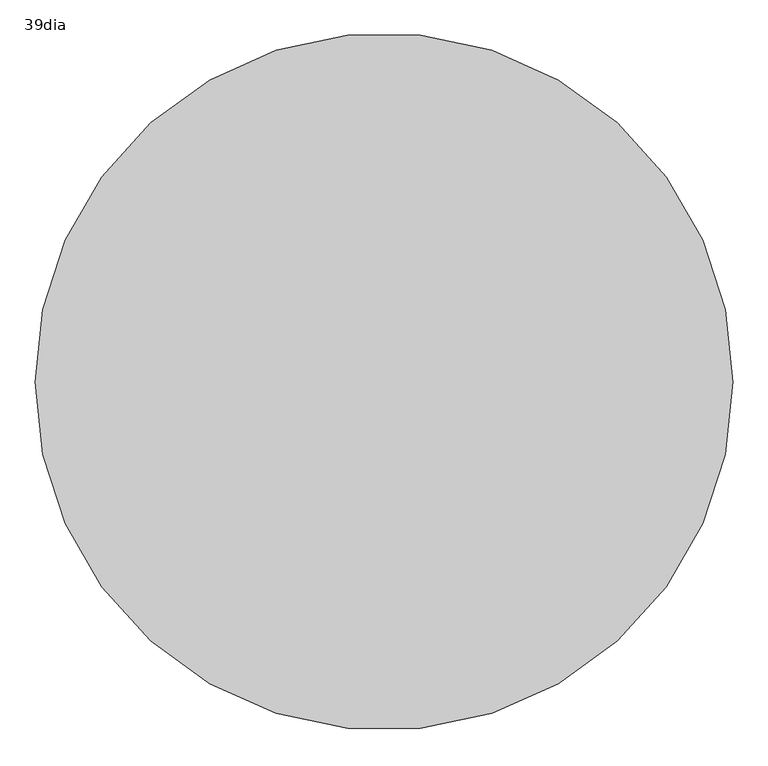
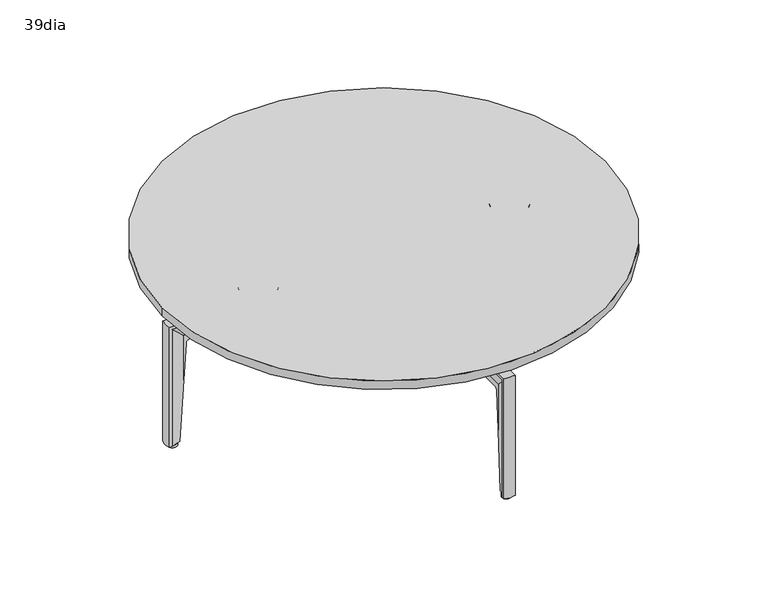
"""IFC4 building model written with IfcOpenShell, lengths in millimetres: furniture geometry, 39dia."""

from ifc_helpers import new_model, si_unit, point, frame, frame_2d, origin, origin_with_axes, place, context, project, spatial, polyline, circle_curve, ellipse_curve, trimmed, segment, composite_curve, outline, extrude, source, transform, mapped, element, save
from ifc_brep_helpers import plane_surface, cylinder_surface, revolved_surface, advanced_brep


def furniture_39dia_622707f2(model_context):
    return source(origin(), model_context, "Body", "SolidModel", [
        extrude(outline(composite_curve([segment(trimmed(circle_curve(frame_2d((296.7612327, 0.1444803)), 11.7187318), [point((296.7613262, 11.8632122))], [point((296.7611408, -11.5742515))], False, "CARTESIAN"), True, "CONTINUOUS"), segment(polyline([(296.7611408, -11.5742515), (264.1889528, -11.5739961)]), True, "CONTINUOUS"), segment(trimmed(circle_curve(frame_2d((264.1890447, 0.144738)), 11.7187341), [point((264.1889528, -11.5739961))], [point((264.1891382, 11.8634721))], False, "CARTESIAN"), True, "CONTINUOUS"), segment(polyline([(264.1891382, 11.8634721), (296.7613262, 11.8632122)]), True, "CONTINUOUS")], self_intersect=False)), frame((0.0, 0.0, 287.3162919), z_axis=(0.0, 0.0, 1.0), x_axis=(1.0, 0.0, 0.0)), (0.0, 0.0, 1.0), 14.2341844),
        extrude(outline(composite_curve([segment(polyline([(-299.1425762, 11.0694622), (-266.5703882, 11.0697221)]), True, "CONTINUOUS"), segment(trimmed(circle_curve(frame_2d((-266.5702947, -0.649012)), 11.7187341), [point((-266.5703882, 11.0697221))], [point((-266.5702028, -12.3677461))], False, "CARTESIAN"), True, "CONTINUOUS"), segment(polyline([(-266.5702028, -12.3677461), (-299.1423908, -12.3680015)]), True, "CONTINUOUS"), segment(trimmed(circle_curve(frame_2d((-299.1424827, -0.6492697)), 11.7187318), [point((-299.1423908, -12.3680015))], [point((-299.1425762, 11.0694622))], False, "CARTESIAN"), True, "CONTINUOUS")], self_intersect=False)), frame((0.0, 0.0, 287.3162919), z_axis=(0.0, 0.0, 1.0), x_axis=(1.0, 0.0, 0.0)), (0.0, 0.0, 1.0), 14.2341844),
        extrude(outline(composite_curve([segment(trimmed(circle_curve(frame_2d((0.6492697, 298.7456077)), 11.7187318), [point((-11.0694622, 298.7457012))], [point((12.3680015, 298.7455158))], False, "CARTESIAN"), True, "CONTINUOUS"), segment(polyline([(12.3680015, 298.7455158), (12.3677461, 266.1733278)]), True, "CONTINUOUS"), segment(trimmed(circle_curve(frame_2d((0.649012, 266.1734197)), 11.7187341), [point((12.3677461, 266.1733278))], [point((-11.0697221, 266.1735132))], False, "CARTESIAN"), True, "CONTINUOUS"), segment(polyline([(-11.0697221, 266.1735132), (-11.0694622, 298.7457012)]), True, "CONTINUOUS")], self_intersect=False)), frame((0.0, 0.0, 287.3162919), z_axis=(0.0, 0.0, 1.0), x_axis=(1.0, 0.0, 0.0)), (0.0, 0.0, 1.0), 14.2341844),
        extrude(outline(composite_curve([segment(polyline([(-11.0694622, -297.9519512), (-11.0697221, -265.3797632)]), True, "CONTINUOUS"), segment(trimmed(circle_curve(frame_2d((0.649012, -265.3796697)), 11.7187341), [point((-11.0697221, -265.3797632))], [point((12.3677461, -265.3795778))], False, "CARTESIAN"), True, "CONTINUOUS"), segment(polyline([(12.3677461, -265.3795778), (12.3680015, -297.9517658)]), True, "CONTINUOUS"), segment(trimmed(circle_curve(frame_2d((0.6492697, -297.9518577)), 11.7187318), [point((12.3680015, -297.9517658))], [point((-11.0694622, -297.9519512))], False, "CARTESIAN"), True, "CONTINUOUS")], self_intersect=False)), frame((0.0, 0.0, 287.3162919), z_axis=(0.0, 0.0, 1.0), x_axis=(1.0, 0.0, 0.0)), (0.0, 0.0, 1.0), 14.2341844),
        extrude(outline(composite_curve([segment(trimmed(circle_curve(frame_2d((0.0320565, 1.375425)), 495.3), [point((-495.2679435, 1.375425))], [point((495.3320565, 1.375425))], False, "CARTESIAN"), True, "CONTINUOUS"), segment(trimmed(circle_curve(frame_2d((0.0320565, 1.375425)), 495.3), [point((495.3320565, 1.375425))], [point((-495.2679435, 1.375425))], False, "CARTESIAN"), True, "CONTINUOUS")], self_intersect=False)), frame((0.0, 0.0, 311.1393175), z_axis=(0.0, 0.0, 1.0), x_axis=(1.0, 0.0, 0.0)), (0.0, 0.0, 1.0), 19.970002),
        advanced_brep(
        [(12.2335939, -54.8956171, 289.6785635), (12.2335939, -54.8956171, 283.3285635), (4.8780342, -54.8956171, 253.1125717), (4.8780342, -54.8956171, 240.9225725), (-4.9489014, -54.8956171, 240.9225725), (-4.9489014, -54.8956171, 253.4109455), (-13.1664061, -54.8956171, 284.0790905), (-13.1664061, -54.8956171, 289.6785635), (-13.1664061, -487.1580656, 289.6785635), (12.2335939, -487.1580656, 289.6785635), (-13.1664061, -481.5585926, 284.0790905), (-13.1664061, -481.5585926, 6.3562496), (-13.1664061, -487.1580656, 6.3562496), (-4.9489014, -450.8904476, 253.4109455), (-4.9489014, -429.8965112, 240.9225725), (-4.9489014, -429.8965112, 241.3236963), (-4.9489014, -436.5044736, 241.3236963), (-4.9489014, -445.3175192, 233.0469295), (-4.9489014, -450.8904476, 144.3369902), (4.8780342, -429.8965112, 240.9225725), (4.8780342, -450.5920739, 253.1125717), (4.8780342, -450.5920739, 149.086507), (4.8780342, -445.3175192, 233.0469295), (4.8780342, -436.5044736, 241.3236963), (4.8780342, -429.8965112, 241.3236963), (12.2335939, -480.8080656, 283.3285635), (12.2335939, -487.1580656, 6.3562496), (12.2335939, -480.8080656, 6.3562496), (-5.369228, -459.5586622, 6.3562496), (5.7017324, -459.5586622, 6.3562496)],
        [
            (0, 1),
            (1, 2, circle_curve(frame((80.6330553, -54.8956171, 250.6746121), z_axis=(0.0, -1.0, 0.0), x_axis=(1.0, 0.0, 0.0)), 75.7942403)),
            (2, 3),
            (3, 4),
            (4, 5),
            (5, 6, circle_curve(frame((-60.0422505, -54.8956171, 255.0837365), z_axis=(0.0, -1.0, 0.0), x_axis=(1.0, 0.0, 0.0)), 55.1187386)),
            (6, 7),
            (7, 0, circle_curve(frame((-0.4664061, -54.8956171, 254.503341), z_axis=(0.0, 1.0, 0.0), x_axis=(1.0, 0.0, 0.0)), 37.3976775)),
            (7, 8),
            (8, 9, ellipse_curve(frame((-0.4664061, -451.9828431, 254.503341), z_axis=(0.0, 0.7071067811865457, 0.7071067811865493), x_axis=(0.0, 0.7071067811865492, -0.7071067811865458)), 52.8883027, 37.3976775)),
            (9, 0),
            (6, 10),
            (10, 11),
            (11, 12),
            (12, 8),
            (5, 13),
            (13, 10, ellipse_curve(frame((-60.0422505, -452.5632386, 255.0837365), z_axis=(0.0, -0.7071067811865457, -0.7071067811865493), x_axis=(0.0, -0.7071067811865492, 0.7071067811865458)), 77.9496676, 55.1187386)),
            (4, 14),
            (14, 15),
            (15, 16),
            (16, 17, circle_curve(frame((-4.9489014, -436.5044736, 232.493277), z_axis=(1.0, 0.0, 0.0), x_axis=(0.0, 1.0, 0.0)), 8.8304193)),
            (17, 18),
            (18, 13),
            (3, 19),
            (19, 14),
            (2, 20),
            (20, 21),
            (21, 22),
            (22, 23, circle_curve(frame((4.8780342, -436.5044736, 232.493277), z_axis=(-1.0, 0.0, 0.0), x_axis=(0.0, 1.0, 0.0)), 8.8304193)),
            (23, 24),
            (24, 19),
            (1, 25),
            (25, 20, ellipse_curve(frame((80.6330553, -448.1541142, 250.6746121), z_axis=(0.0, -0.7071067811865457, -0.7071067811865493), x_axis=(0.0, -0.7071067811865492, 0.7071067811865458)), 107.1892425, 75.7942403)),
            (9, 26),
            (26, 27),
            (27, 25),
            (11, 28, circle_curve(frame((-60.0422505, -452.5632386, 6.3562496), z_axis=(0.0, 0.0, 1.0), x_axis=(1.0, 0.0, 0.0)), 55.1187386)),
            (28, 29),
            (29, 27, circle_curve(frame((80.6330553, -448.1541142, 6.3562496), z_axis=(0.0, 0.0, 1.0), x_axis=(1.0, 0.0, 0.0)), 75.7942403)),
            (26, 12, circle_curve(frame((-0.4664061, -451.9828431, 6.3562496), z_axis=(0.0, 0.0, -1.0), x_axis=(1.0, 0.0, 0.0)), 37.3976775)),
            (18, 28, ellipse_curve(frame((-60.0422505, -452.5632386, 117.7094839), z_axis=(0.0, 0.9980325251168162, -0.06269831583824148), x_axis=(0.0, -0.0626983158382415, -0.9980325251168162)), 879.1103529, 55.1187386)),
            (29, 21, ellipse_curve(frame((80.6330553, -448.1541142, 187.8939772), z_axis=(0.0, 0.9980325251168162, -0.06269831583824148), x_axis=(0.0, -0.0626983158382415, -0.9980325251168162)), 1208.8720287, 75.7942403)),
            (24, 15),
            (23, 16),
            (17, 22),
        ],
        [
            plane_surface(frame((0.0, -54.8956171, 241.3236963), z_axis=(0.0, 1.0, 0.0), x_axis=(1.0, 0.0, 0.0))),
            cylinder_surface(frame((-0.4664061, -54.8956171, 254.503341), z_axis=(0.0, 1.0, 0.0), x_axis=(1.0, 0.0, 0.0)), 37.3976775),
            plane_surface(frame((-13.1664061, -54.8956171, 284.0790905), z_axis=(-1.0, 0.0, 0.0), x_axis=(0.0, -1.0, 0.0))),
            revolved_surface(polyline([(-4.923511900000001, -507.68197715119743, 255.0837365), (-4.923511900000001, -54.8956171, 255.0837365)]), (-60.0422505, -54.8956171, 255.0837365), (0.0, -1.0, 0.0)),
            plane_surface(frame((-4.9489014, -54.8956171, 240.9225725), z_axis=(-1.0, 0.0, 0.0), x_axis=(0.0, -1.0, 0.0))),
            plane_surface(frame((4.8780342, -54.8956171, 240.9225725), z_axis=(0.0, 0.0, -1.0), x_axis=(0.0, -1.0, 0.0))),
            plane_surface(frame((4.8780342, -54.8956171, 253.1125717), z_axis=(1.0, 0.0, 0.0), x_axis=(0.0, -1.0, 0.0))),
            revolved_surface(polyline([(156.42729559999998, -523.9483544419995, 250.6746121), (156.42729559999998, -54.8956171, 250.6746121)]), (80.6330553, -54.8956171, 250.6746121), (0.0, -1.0, 0.0)),
            plane_surface(frame((12.2335939, -54.8956171, 289.6785635), z_axis=(1.0, 0.0, 0.0), x_axis=(0.0, -1.0, 0.0))),
            plane_surface(frame((0.0, -438.8031984, 6.3562496), z_axis=(0.0, 0.0, -1.0), x_axis=(1.0, 0.0, 0.0))),
            cylinder_surface(frame((-0.4664061, -451.9828431, 241.3236963), z_axis=(0.0, 0.0, 1.0), x_axis=(1.0, 0.0, 0.0)), 37.3976775),
            revolved_surface(polyline([(-4.923511900000001, -452.5632386, -759.6712414611225), (-4.923511900000001, -452.5632386, 995.0902092611223)]), (-60.0422505, -452.5632386, 241.3236963), (0.0, 0.0, -1.0)),
            revolved_surface(polyline([(156.42729559999998, -448.1541142, -1018.5996261465496), (156.42729559999998, -448.1541142, 1394.3875805465493)]), (80.6330553, -448.1541142, 241.3236963), (0.0, 0.0, -1.0)),
            plane_surface(frame((-304.8, -429.8965112, 241.3236963), z_axis=(0.0, -1.0, 0.0), x_axis=(1.0, 0.0, 0.0))),
            plane_surface(frame((-304.8, -436.5044736, 241.3236963), z_axis=(0.0, 0.0, -1.0), x_axis=(1.0, 0.0, 0.0))),
            plane_surface(frame((-304.8, -461.513605, -24.7625535), z_axis=(0.0, 0.9980325251168162, -0.06269831583824148), x_axis=(1.0, 0.0, 0.0))),
            revolved_surface(polyline([(-4.948901400000011, -427.67405429999997, 232.493277), (4.878034200000002, -427.67405429999997, 232.493277)]), (217.9956685, -436.5044736, 232.493277), (-1.0, 0.0, 0.0)),
        ],
        [
            (0, [[1, 2, 3, 4, 5, 6, 7, 8]]),
            (1, [[-8, 9, 10, 11]]),
            (2, [[-7, 12, 13, 14, 15, -9]]),
            (3, [[-6, 16, 17, -12]]),
            (4, [[-5, 18, 19, 20, 21, 22, 23, -16]]),
            (5, [[-4, 24, 25, -18]]),
            (6, [[-3, 26, 27, 28, 29, 30, 31, -24]]),
            (7, [[-2, 32, 33, -26]]),
            (8, [[-1, -11, 34, 35, 36, -32]]),
            (9, [[-14, 37, 38, 39, -35, 40]]),
            (10, [[-10, -15, -40, -34]]),
            (11, [[-13, -17, -23, 41, -37]]),
            (12, [[-33, -36, -39, 42, -27]]),
            (13, [[43, -19, -25, -31]]),
            (14, [[-43, -30, 44, -20]]),
            (15, [[45, -28, -42, -38, -41, -22]]),
            (16, [[-44, -29, -45, -21]]),
        ],
    ),
        advanced_brep(
        [(12.2335939, 54.8956171, 289.6785635), (-13.1664061, 54.8956171, 289.6785635), (-13.1664061, 54.8956171, 284.0790905), (-4.9489014, 54.8956171, 253.4109455), (-4.9489014, 54.8956171, 240.9225725), (4.8780342, 54.8956171, 240.9225725), (4.8780342, 54.8956171, 253.1125717), (12.2335939, 54.8956171, 283.3285635), (12.2335939, 487.1580656, 289.6785635), (-13.1664061, 487.1580656, 289.6785635), (-13.1664061, 487.1580656, 6.3562496), (-13.1664061, 481.5585926, 6.3562496), (-13.1664061, 481.5585926, 284.0790905), (-4.9489014, 450.8904476, 253.4109455), (-4.9489014, 450.8904476, 144.3369902), (-4.9489014, 445.3175192, 233.0469295), (-4.9489014, 436.5044736, 241.3236963), (-4.9489014, 429.8965112, 241.3236963), (-4.9489014, 429.8965112, 240.9225725), (4.8780342, 429.8965112, 240.9225725), (4.8780342, 429.8965112, 241.3236963), (4.8780342, 436.5044736, 241.3236963), (4.8780342, 445.3175192, 233.0469295), (4.8780342, 450.5920739, 149.086507), (4.8780342, 450.5920739, 253.1125717), (12.2335939, 480.8080656, 283.3285635), (12.2335939, 480.8080656, 6.3562496), (12.2335939, 487.1580656, 6.3562496), (5.7017324, 459.5586622, 6.3562496), (-5.369228, 459.5586622, 6.3562496)],
        [
            (0, 1, circle_curve(frame((-0.4664061, 54.8956171, 254.503341), z_axis=(0.0, -1.0, 0.0), x_axis=(1.0, 0.0, 0.0)), 37.3976775)),
            (1, 2),
            (2, 3, circle_curve(frame((-60.0422505, 54.8956171, 255.0837365), z_axis=(0.0, 1.0, 0.0), x_axis=(1.0, 0.0, 0.0)), 55.1187386)),
            (3, 4),
            (4, 5),
            (5, 6),
            (6, 7, circle_curve(frame((80.6330553, 54.8956171, 250.6746121), z_axis=(0.0, 1.0, 0.0), x_axis=(1.0, 0.0, 0.0)), 75.7942403)),
            (7, 0),
            (0, 8),
            (8, 9, ellipse_curve(frame((-0.4664061, 451.9828431, 254.503341), z_axis=(0.0, -0.7071067811865457, 0.7071067811865493), x_axis=(0.0, -0.7071067811865492, -0.7071067811865458)), 52.8883027, 37.3976775)),
            (9, 1),
            (9, 10),
            (10, 11),
            (11, 12),
            (12, 2),
            (12, 13, ellipse_curve(frame((-60.0422505, 452.5632386, 255.0837365), z_axis=(0.0, 0.7071067811865457, -0.7071067811865493), x_axis=(0.0, 0.7071067811865492, 0.7071067811865458)), 77.9496676, 55.1187386)),
            (13, 3),
            (13, 14),
            (14, 15),
            (15, 16, circle_curve(frame((-4.9489014, 436.5044736, 232.493277), z_axis=(1.0, 0.0, 0.0), x_axis=(0.0, -1.0, 0.0)), 8.8304193)),
            (16, 17),
            (17, 18),
            (18, 4),
            (18, 19),
            (19, 5),
            (19, 20),
            (20, 21),
            (21, 22, circle_curve(frame((4.8780342, 436.5044736, 232.493277), z_axis=(-1.0, 0.0, 0.0), x_axis=(0.0, -1.0, 0.0)), 8.8304193)),
            (22, 23),
            (23, 24),
            (24, 6),
            (24, 25, ellipse_curve(frame((80.6330553, 448.1541142, 250.6746121), z_axis=(0.0, 0.7071067811865457, -0.7071067811865493), x_axis=(0.0, 0.7071067811865492, 0.7071067811865458)), 107.1892425, 75.7942403)),
            (25, 7),
            (25, 26),
            (26, 27),
            (27, 8),
            (10, 27, circle_curve(frame((-0.4664061, 451.9828431, 6.3562496), z_axis=(0.0, 0.0, -1.0), x_axis=(1.0, 0.0, 0.0)), 37.3976775)),
            (26, 28, circle_curve(frame((80.6330553, 448.1541142, 6.3562496), z_axis=(0.0, 0.0, 1.0), x_axis=(1.0, 0.0, 0.0)), 75.7942403)),
            (28, 29),
            (29, 11, circle_curve(frame((-60.0422505, 452.5632386, 6.3562496), z_axis=(0.0, 0.0, 1.0), x_axis=(1.0, 0.0, 0.0)), 55.1187386)),
            (29, 14, ellipse_curve(frame((-60.0422505, 452.5632386, 117.7094839), z_axis=(0.0, -0.9980325251168162, -0.06269831583824148), x_axis=(0.0, 0.0626983158382415, -0.9980325251168162)), 879.1103529, 55.1187386)),
            (23, 28, ellipse_curve(frame((80.6330553, 448.1541142, 187.8939772), z_axis=(0.0, -0.9980325251168162, -0.06269831583824148), x_axis=(0.0, 0.0626983158382415, -0.9980325251168162)), 1208.8720287, 75.7942403)),
            (17, 20),
            (16, 21),
            (22, 15),
        ],
        [
            plane_surface(frame((0.0, 54.8956171, 241.3236963), z_axis=(0.0, -1.0, 0.0), x_axis=(1.0, 0.0, 0.0))),
            cylinder_surface(frame((-0.4664061, 54.8956171, 254.503341), z_axis=(0.0, -1.0, 0.0), x_axis=(1.0, 0.0, 0.0)), 37.3976775),
            plane_surface(frame((-13.1664061, 54.8956171, 289.6785635), z_axis=(-1.0, 0.0, 0.0), x_axis=(0.0, 1.0, 0.0))),
            revolved_surface(polyline([(-4.923511900000001, 507.68197715119743, 255.0837365), (-4.923511900000001, 54.8956171, 255.0837365)]), (-60.0422505, 54.8956171, 255.0837365), (0.0, 1.0, 0.0)),
            plane_surface(frame((-4.9489014, 54.8956171, 253.4109455), z_axis=(-1.0, 0.0, 0.0), x_axis=(0.0, 1.0, 0.0))),
            plane_surface(frame((-4.9489014, 54.8956171, 240.9225725), z_axis=(0.0, 0.0, -1.0), x_axis=(0.0, 1.0, 0.0))),
            plane_surface(frame((4.8780342, 54.8956171, 240.9225725), z_axis=(1.0, 0.0, 0.0), x_axis=(0.0, 1.0, 0.0))),
            revolved_surface(polyline([(156.42729559999998, 523.9483544419995, 250.6746121), (156.42729559999998, 54.8956171, 250.6746121)]), (80.6330553, 54.8956171, 250.6746121), (0.0, 1.0, 0.0)),
            plane_surface(frame((12.2335939, 54.8956171, 283.3285635), z_axis=(1.0, 0.0, 0.0), x_axis=(0.0, 1.0, 0.0))),
            plane_surface(frame((0.0, 438.8031984, 6.3562496), z_axis=(0.0, 0.0, -1.0), x_axis=(1.0, 0.0, 0.0))),
            cylinder_surface(frame((-0.4664061, 451.9828431, 241.3236963), z_axis=(0.0, 0.0, 1.0), x_axis=(1.0, 0.0, 0.0)), 37.3976775),
            revolved_surface(polyline([(-4.923511900000001, 452.5632386, -759.6712414611225), (-4.923511900000001, 452.5632386, 995.0902092611223)]), (-60.0422505, 452.5632386, 241.3236963), (0.0, 0.0, -1.0)),
            revolved_surface(polyline([(156.42729559999998, 448.1541142, -1018.5996261465496), (156.42729559999998, 448.1541142, 1394.3875805465493)]), (80.6330553, 448.1541142, 241.3236963), (0.0, 0.0, -1.0)),
            plane_surface(frame((-304.8, 429.8965112, -24.7625535), z_axis=(0.0, 1.0, 0.0), x_axis=(1.0, 0.0, 0.0))),
            plane_surface(frame((-304.8, 429.8965112, 241.3236963), z_axis=(0.0, 0.0, -1.0), x_axis=(1.0, 0.0, 0.0))),
            plane_surface(frame((-304.8, 445.3175192, 233.0469295), z_axis=(0.0, -0.9980325251168162, -0.06269831583824148), x_axis=(1.0, 0.0, 0.0))),
            revolved_surface(polyline([(-4.948901400000011, 427.67405429999997, 232.493277), (4.878034200000002, 427.67405429999997, 232.493277)]), (217.9956685, 436.5044736, 232.493277), (-1.0, 0.0, 0.0)),
        ],
        [
            (0, [[1, 2, 3, 4, 5, 6, 7, 8]]),
            (1, [[-1, 9, 10, 11]]),
            (2, [[-2, -11, 12, 13, 14, 15]]),
            (3, [[-3, -15, 16, 17]]),
            (4, [[-4, -17, 18, 19, 20, 21, 22, 23]]),
            (5, [[-5, -23, 24, 25]]),
            (6, [[-6, -25, 26, 27, 28, 29, 30, 31]]),
            (7, [[-7, -31, 32, 33]]),
            (8, [[-8, -33, 34, 35, 36, -9]]),
            (9, [[-13, 37, -35, 38, 39, 40]]),
            (10, [[-10, -36, -37, -12]]),
            (11, [[-14, -40, 41, -18, -16]]),
            (12, [[-32, -30, 42, -38, -34]]),
            (13, [[43, -26, -24, -22]]),
            (14, [[-43, -21, 44, -27]]),
            (15, [[45, -19, -41, -39, -42, -29]]),
            (16, [[-45, -28, -44, -20]]),
        ],
    ),
        advanced_brep(
        [(54.8956171, -12.2335939, 289.6785635), (54.8956171, 13.1664061, 289.6785635), (54.8956171, 13.1664061, 284.0790905), (54.8956171, 4.9489014, 253.4109455), (54.8956171, 4.9489014, 240.9225725), (54.8956171, -4.8780342, 240.9225725), (54.8956171, -4.8780342, 253.1125717), (54.8956171, -12.2335939, 283.3285635), (487.1580656, -12.2335939, 289.6785635), (487.1580656, 13.1664061, 289.6785635), (487.1580656, 13.1664061, 6.3562496), (481.5585926, 13.1664061, 6.3562496), (481.5585926, 13.1664061, 284.0790905), (450.8904476, 4.9489014, 253.4109455), (450.8904476, 4.9489014, 144.3369902), (445.3175192, 4.9489014, 233.0469295), (436.5044736, 4.9489014, 241.3236963), (429.8965112, 4.9489014, 241.3236963), (429.8965112, 4.9489014, 240.9225725), (429.8965112, -4.8780342, 240.9225725), (429.8965112, -4.8780342, 241.3236963), (436.5044736, -4.8780342, 241.3236963), (445.3175192, -4.8780342, 233.0469295), (450.5920739, -4.8780342, 149.086507), (450.5920739, -4.8780342, 253.1125717), (480.8080656, -12.2335939, 283.3285635), (480.8080656, -12.2335939, 6.3562496), (487.1580656, -12.2335939, 6.3562496), (459.5586622, -5.7017324, 6.3562496), (459.5586622, 5.369228, 6.3562496)],
        [
            (0, 1, circle_curve(frame((54.8956171, 0.4664061, 254.503341), z_axis=(-1.0, 0.0, 0.0), x_axis=(0.0, -1.0, 0.0)), 37.3976775)),
            (1, 2),
            (2, 3, circle_curve(frame((54.8956171, 60.0422505, 255.0837365), z_axis=(1.0, 0.0, 0.0), x_axis=(0.0, -1.0, 0.0)), 55.1187386)),
            (3, 4),
            (4, 5),
            (5, 6),
            (6, 7, circle_curve(frame((54.8956171, -80.6330553, 250.6746121), z_axis=(1.0, 0.0, 0.0), x_axis=(0.0, -1.0, 0.0)), 75.7942403)),
            (7, 0),
            (0, 8),
            (8, 9, ellipse_curve(frame((451.9828431, 0.4664061, 254.503341), z_axis=(-0.7071067811865261, 0.0, 0.7071067811865688), x_axis=(-0.7071067811865689, 0.0, -0.7071067811865261)), 52.8883027, 37.3976775)),
            (9, 1),
            (9, 10),
            (10, 11),
            (11, 12),
            (12, 2),
            (12, 13, ellipse_curve(frame((452.5632386, 60.0422505, 255.0837365), z_axis=(0.7071067811865261, 0.0, -0.7071067811865688), x_axis=(0.7071067811865689, 0.0, 0.7071067811865261)), 77.9496676, 55.1187386)),
            (13, 3),
            (13, 14),
            (14, 15),
            (15, 16, circle_curve(frame((436.5044736, 4.9489014, 232.493277), z_axis=(0.0, -1.0, 0.0), x_axis=(-1.0, 0.0, 0.0)), 8.8304193)),
            (16, 17),
            (17, 18),
            (18, 4),
            (18, 19),
            (19, 5),
            (19, 20),
            (20, 21),
            (21, 22, circle_curve(frame((436.5044736, -4.8780342, 232.493277), z_axis=(0.0, 1.0, 0.0), x_axis=(-1.0, 0.0, 0.0)), 8.8304193)),
            (22, 23),
            (23, 24),
            (24, 6),
            (24, 25, ellipse_curve(frame((448.1541142, -80.6330553, 250.6746121), z_axis=(0.7071067811865261, 0.0, -0.7071067811865688), x_axis=(0.7071067811865689, 0.0, 0.7071067811865261)), 107.1892425, 75.7942403)),
            (25, 7),
            (25, 26),
            (26, 27),
            (27, 8),
            (10, 27, circle_curve(frame((451.9828431, 0.4664061, 6.3562496), z_axis=(0.0, 0.0, -1.0), x_axis=(0.0, -1.0, 0.0)), 37.3976775)),
            (26, 28, circle_curve(frame((448.1541142, -80.6330553, 6.3562496), z_axis=(0.0, 0.0, 1.0), x_axis=(0.0, -1.0, 0.0)), 75.7942403)),
            (28, 29),
            (29, 11, circle_curve(frame((452.5632386, 60.0422505, 6.3562496), z_axis=(0.0, 0.0, 1.0), x_axis=(0.0, -1.0, 0.0)), 55.1187386)),
            (29, 14, ellipse_curve(frame((452.5632386, 60.0422505, 117.7094839), z_axis=(-0.9980325251168178, 0.0, -0.06269831583821395), x_axis=(0.06269831583821395, 0.0, -0.9980325251168177)), 879.1103529, 55.1187386)),
            (23, 28, ellipse_curve(frame((448.1541142, -80.6330553, 187.8939772), z_axis=(-0.9980325251168178, 0.0, -0.06269831583821395), x_axis=(0.06269831583821395, 0.0, -0.9980325251168177)), 1208.8720287, 75.7942403)),
            (17, 20),
            (16, 21),
            (22, 15),
        ],
        [
            plane_surface(frame((54.8956171, 0.0, 241.3236963), z_axis=(-1.0, 0.0, 0.0), x_axis=(0.0, -1.0, 0.0))),
            cylinder_surface(frame((54.8956171, 0.4664061, 254.503341), z_axis=(-1.0, 0.0, 0.0), x_axis=(0.0, -1.0, 0.0)), 37.3976775),
            plane_surface(frame((54.8956171, 13.1664061, 289.6785635), z_axis=(0.0, 1.0, 0.0), x_axis=(1.0, 0.0, 0.0))),
            revolved_surface(polyline([(507.68197715119896, 4.923511900000001, 255.0837365), (54.8956171, 4.923511900000001, 255.0837365)]), (54.8956171, 60.0422505, 255.0837365), (1.0, 0.0, 0.0)),
            plane_surface(frame((54.8956171, 4.9489014, 253.4109455), z_axis=(0.0, 1.0, 0.0), x_axis=(1.0, 0.0, 0.0))),
            plane_surface(frame((54.8956171, 4.9489014, 240.9225725), z_axis=(0.0, 0.0, -1.0), x_axis=(1.0, 0.0, 0.0))),
            plane_surface(frame((54.8956171, -4.8780342, 240.9225725), z_axis=(0.0, -1.0, 0.0), x_axis=(1.0, 0.0, 0.0))),
            revolved_surface(polyline([(523.9483544420016, -156.42729559999998, 250.6746121), (54.8956171, -156.42729559999998, 250.6746121)]), (54.8956171, -80.6330553, 250.6746121), (1.0, 0.0, 0.0)),
            plane_surface(frame((54.8956171, -12.2335939, 283.3285635), z_axis=(0.0, -1.0, 0.0), x_axis=(1.0, 0.0, 0.0))),
            plane_surface(frame((438.8031984, 0.0, 6.3562496), z_axis=(0.0, 0.0, -1.0), x_axis=(0.0, -1.0, 0.0))),
            cylinder_surface(frame((451.9828431, 0.4664061, 241.3236963), z_axis=(0.0, 0.0, 1.0), x_axis=(0.0, -1.0, 0.0)), 37.3976775),
            revolved_surface(polyline([(452.5632386, 4.923511900000001, -759.6712414611238), (452.5632386, 4.923511900000001, 995.0902092611236)]), (452.5632386, 60.0422505, 241.3236963), (0.0, 0.0, -1.0)),
            revolved_surface(polyline([(448.1541142, -156.42729559999998, -1018.5996261465514), (448.1541142, -156.42729559999998, 1394.3875805465511)]), (448.1541142, -80.6330553, 241.3236963), (0.0, 0.0, -1.0)),
            plane_surface(frame((429.8965112, 304.8, -24.7625535), z_axis=(1.0, 0.0, 0.0), x_axis=(0.0, -1.0, 0.0))),
            plane_surface(frame((429.8965112, 304.8, 241.3236963), z_axis=(0.0, 0.0, -1.0), x_axis=(0.0, -1.0, 0.0))),
            plane_surface(frame((445.3175192, 304.8, 233.0469295), z_axis=(-0.9980325251168178, 0.0, -0.06269831583821395), x_axis=(0.0, -1.0, 0.0))),
            revolved_surface(polyline([(427.67405429999997, 4.948901400000011, 232.493277), (427.67405429999997, -4.878034200000002, 232.493277)]), (436.5044736, -217.9956685, 232.493277), (0.0, 1.0, 0.0)),
        ],
        [
            (0, [[1, 2, 3, 4, 5, 6, 7, 8]]),
            (1, [[-1, 9, 10, 11]]),
            (2, [[-2, -11, 12, 13, 14, 15]]),
            (3, [[-3, -15, 16, 17]]),
            (4, [[-4, -17, 18, 19, 20, 21, 22, 23]]),
            (5, [[-5, -23, 24, 25]]),
            (6, [[-6, -25, 26, 27, 28, 29, 30, 31]]),
            (7, [[-7, -31, 32, 33]]),
            (8, [[-8, -33, 34, 35, 36, -9]]),
            (9, [[-13, 37, -35, 38, 39, 40]]),
            (10, [[-10, -36, -37, -12]]),
            (11, [[-14, -40, 41, -18, -16]]),
            (12, [[-32, -30, 42, -38, -34]]),
            (13, [[43, -26, -24, -22]]),
            (14, [[-43, -21, 44, -27]]),
            (15, [[45, -19, -41, -39, -42, -29]]),
            (16, [[-45, -28, -44, -20]]),
        ],
    ),
        advanced_brep(
        [(-54.8956171, -12.2335939, 289.6785635), (-54.8956171, -12.2335939, 283.3285635), (-54.8956171, -4.8780342, 253.1125717), (-54.8956171, -4.8780342, 240.9225725), (-54.8956171, 4.9489014, 240.9225725), (-54.8956171, 4.9489014, 253.4109455), (-54.8956171, 13.1664061, 284.0790905), (-54.8956171, 13.1664061, 289.6785635), (-487.1580656, 13.1664061, 289.6785635), (-487.1580656, -12.2335939, 289.6785635), (-481.5585926, 13.1664061, 284.0790905), (-481.5585926, 13.1664061, 6.3562496), (-487.1580656, 13.1664061, 6.3562496), (-450.8904476, 4.9489014, 253.4109455), (-252.8902612, 4.9489014, 240.9225725), (-252.8902612, 4.9489014, 241.3236963), (-259.4982236, 4.9489014, 241.3236963), (-262.1294367, 4.9489014, 240.9225725), (-429.8965112, 4.9489014, 240.9225725), (-429.8965112, 4.9489014, 241.3236963), (-436.5044736, 4.9489014, 241.3236963), (-445.3175192, 4.9489014, 233.0469295), (-450.8904476, 4.9489014, 144.3369902), (-252.8902612, -4.8780342, 240.9225725), (-262.1294367, -4.8780342, 240.9225725), (-429.8965112, -4.8780342, 240.9225725), (-450.5920739, -4.8780342, 253.1125717), (-450.5920739, -4.8780342, 149.086507), (-445.3175192, -4.8780342, 233.0469295), (-436.5044736, -4.8780342, 241.3236963), (-429.8965112, -4.8780342, 241.3236963), (-259.4982236, -4.8780342, 241.3236963), (-252.8902612, -4.8780342, 241.3236963), (-480.8080656, -12.2335939, 283.3285635), (-487.1580656, -12.2335939, 6.3562496), (-480.8080656, -12.2335939, 6.3562496), (-459.5586622, 5.369228, 6.3562496), (-459.5586622, -5.7017324, 6.3562496)],
        [
            (0, 1),
            (1, 2, circle_curve(frame((-54.8956171, -80.6330553, 250.6746121), z_axis=(-1.0, 0.0, 0.0), x_axis=(0.0, -1.0, 0.0)), 75.7942403)),
            (2, 3),
            (3, 4),
            (4, 5),
            (5, 6, circle_curve(frame((-54.8956171, 60.0422505, 255.0837365), z_axis=(-1.0, 0.0, 0.0), x_axis=(0.0, -1.0, 0.0)), 55.1187386)),
            (6, 7),
            (7, 0, circle_curve(frame((-54.8956171, 0.4664061, 254.503341), z_axis=(1.0, 0.0, 0.0), x_axis=(0.0, -1.0, 0.0)), 37.3976775)),
            (7, 8),
            (8, 9, ellipse_curve(frame((-451.9828431, 0.4664061, 254.503341), z_axis=(0.7071067811865457, 0.0, 0.7071067811865493), x_axis=(0.7071067811865492, 0.0, -0.7071067811865458)), 52.8883027, 37.3976775)),
            (9, 0),
            (6, 10),
            (10, 11),
            (11, 12),
            (12, 8),
            (5, 13),
            (13, 10, ellipse_curve(frame((-452.5632386, 60.0422505, 255.0837365), z_axis=(-0.7071067811865457, 0.0, -0.7071067811865493), x_axis=(-0.7071067811865492, 0.0, 0.7071067811865458)), 77.9496676, 55.1187386)),
            (4, 14),
            (14, 15),
            (15, 16),
            (16, 17, circle_curve(frame((-259.4982236, 4.9489014, 232.493277), z_axis=(0.0, -1.0, 0.0), x_axis=(1.0, 0.0, 0.0)), 8.8304193)),
            (17, 18),
            (18, 19),
            (19, 20),
            (20, 21, circle_curve(frame((-436.5044736, 4.9489014, 232.493277), z_axis=(0.0, -1.0, 0.0), x_axis=(1.0, 0.0, 0.0)), 8.8304193)),
            (21, 22),
            (22, 13),
            (3, 23),
            (23, 14),
            (17, 24),
            (24, 25),
            (25, 18),
            (2, 26),
            (26, 27),
            (27, 28),
            (28, 29, circle_curve(frame((-436.5044736, -4.8780342, 232.493277), z_axis=(0.0, 1.0, 0.0), x_axis=(1.0, 0.0, 0.0)), 8.8304193)),
            (29, 30),
            (30, 25),
            (24, 31, circle_curve(frame((-259.4982236, -4.8780342, 232.493277), z_axis=(0.0, 1.0, 0.0), x_axis=(1.0, 0.0, 0.0)), 8.8304193)),
            (31, 32),
            (32, 23),
            (1, 33),
            (33, 26, ellipse_curve(frame((-448.1541142, -80.6330553, 250.6746121), z_axis=(-0.7071067811865457, 0.0, -0.7071067811865493), x_axis=(-0.7071067811865492, 0.0, 0.7071067811865458)), 107.1892425, 75.7942403)),
            (9, 34),
            (34, 35),
            (35, 33),
            (11, 36, circle_curve(frame((-452.5632386, 60.0422505, 6.3562496), z_axis=(0.0, 0.0, 1.0), x_axis=(0.0, -1.0, 0.0)), 55.1187386)),
            (36, 37),
            (37, 35, circle_curve(frame((-448.1541142, -80.6330553, 6.3562496), z_axis=(0.0, 0.0, 1.0), x_axis=(0.0, -1.0, 0.0)), 75.7942403)),
            (34, 12, circle_curve(frame((-451.9828431, 0.4664061, 6.3562496), z_axis=(0.0, 0.0, -1.0), x_axis=(0.0, -1.0, 0.0)), 37.3976775)),
            (22, 36, ellipse_curve(frame((-452.5632386, 60.0422505, 117.7094839), z_axis=(0.9980325251168162, 0.0, -0.06269831583824148), x_axis=(-0.0626983158382415, 0.0, -0.9980325251168162)), 879.1103529, 55.1187386)),
            (37, 27, ellipse_curve(frame((-448.1541142, -80.6330553, 187.8939772), z_axis=(0.9980325251168162, 0.0, -0.06269831583824148), x_axis=(-0.0626983158382415, 0.0, -0.9980325251168162)), 1208.8720287, 75.7942403)),
            (32, 15),
            (31, 16),
            (30, 19),
            (29, 20),
            (21, 28),
        ],
        [
            plane_surface(frame((-54.8956171, 0.0, 241.3236963), z_axis=(1.0, 0.0, 0.0), x_axis=(0.0, -1.0, 0.0))),
            cylinder_surface(frame((-54.8956171, 0.4664061, 254.503341), z_axis=(1.0, 0.0, 0.0), x_axis=(0.0, -1.0, 0.0)), 37.3976775),
            plane_surface(frame((-54.8956171, 13.1664061, 284.0790905), z_axis=(0.0, 1.0, 0.0), x_axis=(-1.0, 0.0, 0.0))),
            revolved_surface(polyline([(-507.68197715119743, 4.923511900000001, 255.0837365), (-54.8956171, 4.923511900000001, 255.0837365)]), (-54.8956171, 60.0422505, 255.0837365), (-1.0, 0.0, 0.0)),
            plane_surface(frame((-54.8956171, 4.9489014, 240.9225725), z_axis=(0.0, 1.0, 0.0), x_axis=(-1.0, 0.0, 0.0))),
            plane_surface(frame((-54.8956171, -4.8780342, 240.9225725), z_axis=(0.0, 0.0, -1.0), x_axis=(-1.0, 0.0, 0.0))),
            plane_surface(frame((-54.8956171, -4.8780342, 253.1125717), z_axis=(0.0, -1.0, 0.0), x_axis=(-1.0, 0.0, 0.0))),
            revolved_surface(polyline([(-523.9483544419995, -156.42729559999998, 250.6746121), (-54.8956171, -156.42729559999998, 250.6746121)]), (-54.8956171, -80.6330553, 250.6746121), (-1.0, 0.0, 0.0)),
            plane_surface(frame((-54.8956171, -12.2335939, 289.6785635), z_axis=(0.0, -1.0, 0.0), x_axis=(-1.0, 0.0, 0.0))),
            plane_surface(frame((-438.8031984, 0.0, 6.3562496), z_axis=(0.0, 0.0, -1.0), x_axis=(0.0, -1.0, 0.0))),
            cylinder_surface(frame((-451.9828431, 0.4664061, 241.3236963), z_axis=(0.0, 0.0, 1.0), x_axis=(0.0, -1.0, 0.0)), 37.3976775),
            revolved_surface(polyline([(-452.5632386, 4.923511900000001, -759.6712414611225), (-452.5632386, 4.923511900000001, 995.0902092611223)]), (-452.5632386, 60.0422505, 241.3236963), (0.0, 0.0, -1.0)),
            revolved_surface(polyline([(-448.1541142, -156.42729559999998, -1018.5996261465496), (-448.1541142, -156.42729559999998, 1394.3875805465493)]), (-448.1541142, -80.6330553, 241.3236963), (0.0, 0.0, -1.0)),
            plane_surface(frame((-252.8902612, 304.8, 241.3236963), z_axis=(-1.0, 0.0, 0.0), x_axis=(0.0, -1.0, 0.0))),
            plane_surface(frame((-259.4982236, 304.8, 241.3236963), z_axis=(0.0, 0.0, -1.0), x_axis=(0.0, -1.0, 0.0))),
            revolved_surface(polyline([(-250.66780430000003, 4.948901400000011, 232.493277), (-250.66780430000003, -4.878034200000002, 232.493277)]), (-259.4982236, -217.9956685, 232.493277), (0.0, 1.0, 0.0)),
            plane_surface(frame((-429.8965112, 304.8, 241.3236963), z_axis=(-1.0, 0.0, 0.0), x_axis=(0.0, -1.0, 0.0))),
            plane_surface(frame((-436.5044736, 304.8, 241.3236963), z_axis=(0.0, 0.0, -1.0), x_axis=(0.0, -1.0, 0.0))),
            plane_surface(frame((-461.513605, 304.8, -24.7625535), z_axis=(0.9980325251168162, 0.0, -0.06269831583824148), x_axis=(0.0, -1.0, 0.0))),
            revolved_surface(polyline([(-427.67405429999997, 4.948901400000011, 232.493277), (-427.67405429999997, -4.878034200000002, 232.493277)]), (-436.5044736, -217.9956685, 232.493277), (0.0, 1.0, 0.0)),
        ],
        [
            (0, [[1, 2, 3, 4, 5, 6, 7, 8]]),
            (1, [[-8, 9, 10, 11]]),
            (2, [[-7, 12, 13, 14, 15, -9]]),
            (3, [[-6, 16, 17, -12]]),
            (4, [[-5, 18, 19, 20, 21, 22, 23, 24, 25, 26, 27, -16]]),
            (5, [[-4, 28, 29, -18]]),
            (5, [[30, 31, 32, -22]]),
            (6, [[-3, 33, 34, 35, 36, 37, 38, -31, 39, 40, 41, -28]]),
            (7, [[-2, 42, 43, -33]]),
            (8, [[-1, -11, 44, 45, 46, -42]]),
            (9, [[-14, 47, 48, 49, -45, 50]]),
            (10, [[-10, -15, -50, -44]]),
            (11, [[-13, -17, -27, 51, -47]]),
            (12, [[-43, -46, -49, 52, -34]]),
            (13, [[53, -19, -29, -41]]),
            (14, [[-53, -40, 54, -20]]),
            (15, [[-54, -39, -30, -21]]),
            (16, [[55, -23, -32, -38]]),
            (17, [[-55, -37, 56, -24]]),
            (18, [[57, -35, -52, -48, -51, -26]]),
            (19, [[-56, -36, -57, -25]]),
        ],
    ),
        extrude(outline(composite_curve([segment(trimmed(circle_curve(frame_2d((-472.8649208, 0.0)), 10.16), [point((-483.0249208, 0.0))], [point((-462.7049208, 0.0))], False, "CARTESIAN"), True, "CONTINUOUS"), segment(trimmed(circle_curve(frame_2d((-472.8649208, 0.0)), 10.16), [point((-462.7049208, 0.0))], [point((-483.0249208, 0.0))], False, "CARTESIAN"), True, "CONTINUOUS")], self_intersect=False)), origin_with_axes(), (0.0, 0.0, 1.0), 6.3562496),
        extrude(outline(composite_curve([segment(trimmed(circle_curve(frame_2d((473.2671754, 0.0)), 10.16), [point((463.1071754, 0.0))], [point((483.4271754, 0.0))], False, "CARTESIAN"), True, "CONTINUOUS"), segment(trimmed(circle_curve(frame_2d((473.2671754, 0.0)), 10.16), [point((483.4271754, 0.0))], [point((463.1071754, 0.0))], False, "CARTESIAN"), True, "CONTINUOUS")], self_intersect=False)), origin_with_axes(), (0.0, 0.0, 1.0), 6.3562496),
        extrude(outline(composite_curve([segment(trimmed(circle_curve(frame_2d((0.0, 472.5670569)), 9.906), [point((-9.906, 472.5670569))], [point((9.906, 472.5670569))], False, "CARTESIAN"), True, "CONTINUOUS"), segment(trimmed(circle_curve(frame_2d((0.0, 472.5670569)), 9.906), [point((9.906, 472.5670569))], [point((-9.906, 472.5670569))], False, "CARTESIAN"), True, "CONTINUOUS")], self_intersect=False)), origin_with_axes(), (0.0, 0.0, 1.0), 6.3562496),
        extrude(outline(composite_curve([segment(trimmed(circle_curve(frame_2d((0.0, -473.3608069)), 9.906), [point((-9.906, -473.3608069))], [point((9.906, -473.3608069))], False, "CARTESIAN"), True, "CONTINUOUS"), segment(trimmed(circle_curve(frame_2d((0.0, -473.3608069)), 9.906), [point((9.906, -473.3608069))], [point((-9.906, -473.3608069))], False, "CARTESIAN"), True, "CONTINUOUS")], self_intersect=False)), origin_with_axes(), (0.0, 0.0, 1.0), 6.3562496),
        advanced_brep(
        [(-0.1984375, -334.4921273, 308.1015911), (-0.1984375, -227.4828727, 308.1015911), (-0.1984375, -241.1830996, 308.1015911), (-0.1984375, -320.7919004, 308.1015911), (-0.1984375, -249.1226494, 301.5504764), (-0.1984375, -312.8523506, 301.5504764), (-0.1984375, -280.9875, 301.5504764), (-0.1984375, -280.9875, 311.1393175), (-0.1984375, -227.4828727, 311.1393175), (-0.1984375, -334.4921273, 311.1393175)],
        [
            (0, 1, circle_curve(frame((-0.1984375, -280.9875, 308.1015911), z_axis=(0.0, 0.0, -1.0), x_axis=(0.0, 1.0, 0.0)), 53.5046273)),
            (1, 2),
            (2, 3, circle_curve(frame((-0.1984375, -280.9875, 308.1015911), z_axis=(0.0, 0.0, 1.0), x_axis=(0.0, 1.0, 0.0)), 39.8044004)),
            (3, 0),
            (1, 0, circle_curve(frame((-0.1984375, -280.9875, 308.1015911), z_axis=(0.0, 0.0, -1.0), x_axis=(0.0, 1.0, 0.0)), 53.5046273)),
            (3, 2, circle_curve(frame((-0.1984375, -280.9875, 308.1015911), z_axis=(0.0, 0.0, 1.0), x_axis=(0.0, 1.0, 0.0)), 39.8044004)),
            (2, 4, circle_curve(frame((-0.1984375, -249.1226494, 309.6371577), z_axis=(-1.0, 0.0, 0.0), x_axis=(0.0, -1.0, 0.0)), 8.0866813)),
            (4, 5, circle_curve(frame((-0.1984375, -280.9875, 301.5504764), z_axis=(0.0, 0.0, 1.0), x_axis=(0.0, 1.0, 0.0)), 31.8648506)),
            (5, 3, circle_curve(frame((-0.1984375, -312.8523506, 309.6371577), z_axis=(-1.0, 0.0, 0.0), x_axis=(0.0, 1.0, 0.0)), 8.0866813)),
            (5, 4, circle_curve(frame((-0.1984375, -280.9875, 301.5504764), z_axis=(0.0, 0.0, 1.0), x_axis=(0.0, 1.0, 0.0)), 31.8648506)),
            (4, 6),
            (6, 5),
            (7, 8),
            (8, 9, circle_curve(frame((-0.1984375, -280.9875, 311.1393175), z_axis=(0.0, 0.0, 1.0), x_axis=(0.0, 1.0, 0.0)), 53.5046273)),
            (9, 7),
            (9, 8, circle_curve(frame((-0.1984375, -280.9875, 311.1393175), z_axis=(0.0, 0.0, 1.0), x_axis=(0.0, 1.0, 0.0)), 53.5046273)),
            (8, 1),
            (0, 9),
        ],
        [
            plane_surface(frame((-0.1984375, -280.9875, 308.1015911), z_axis=(0.0, 0.0, -1.0), x_axis=(0.0, 1.0, 0.0))),
            revolved_surface(trimmed(ellipse_curve(frame((-0.1984375, -249.1226494, 309.6371577), z_axis=(1.0, 0.0, 0.0), x_axis=(0.0, -1.0, 0.0)), 8.0866813, 8.0866813), [point((-0.1984375, -249.1226494, 301.5504764))], [point((-0.1984375, -241.1830996, 308.1015911))], True, "CARTESIAN"), (-0.1984375, -280.9875, 313.5136967), (0.0, 0.0, 1.0)),
            plane_surface(frame((-0.1984375, -280.9875, 301.5504764), z_axis=(0.0, 0.0, -1.0), x_axis=(0.0, 1.0, 0.0))),
            plane_surface(frame((-0.1984375, -280.9875, 311.1393175), z_axis=(0.0, 0.0, 1.0), x_axis=(0.0, 1.0, 0.0))),
            cylinder_surface(frame((-0.1984375, -280.9875, 313.5136967), z_axis=(0.0, 0.0, 1.0), x_axis=(0.0, 1.0, 0.0)), 53.5046273),
        ],
        [
            (0, [[1, 2, 3, 4]]),
            (0, [[5, -4, 6, -2]]),
            (1, [[-3, 7, 8, 9]]),
            (1, [[-6, -9, 10, -7]]),
            (2, [[-8, 11, 12]]),
            (2, [[-10, -12, -11]]),
            (3, [[13, 14, 15]]),
            (3, [[-15, 16, -13]]),
            (4, [[-14, 17, -1, 18]]),
            (4, [[-16, -18, -5, -17]]),
        ],
    ),
        advanced_brep(
        [(-0.1984375, 320.7919004, 308.1015911), (-0.1984375, 241.1830996, 308.1015911), (-0.1984375, 227.4828727, 308.1015911), (-0.1984375, 334.4921273, 308.1015911), (-0.1984375, 312.8523506, 301.5504764), (-0.1984375, 249.1226494, 301.5504764), (-0.1984375, 280.9875, 301.5504764), (-0.1984375, 334.4921273, 311.1393175), (-0.1984375, 227.4828727, 311.1393175), (-0.1984375, 280.9875, 311.1393175)],
        [
            (0, 1, circle_curve(frame((-0.1984375, 280.9875, 308.1015911), z_axis=(0.0, 0.0, 1.0), x_axis=(0.0, -1.0, 0.0)), 39.8044004)),
            (1, 2),
            (2, 3, circle_curve(frame((-0.1984375, 280.9875, 308.1015911), z_axis=(0.0, 0.0, -1.0), x_axis=(0.0, -1.0, 0.0)), 53.5046273)),
            (3, 0),
            (1, 0, circle_curve(frame((-0.1984375, 280.9875, 308.1015911), z_axis=(0.0, 0.0, 1.0), x_axis=(0.0, -1.0, 0.0)), 39.8044004)),
            (3, 2, circle_curve(frame((-0.1984375, 280.9875, 308.1015911), z_axis=(0.0, 0.0, -1.0), x_axis=(0.0, -1.0, 0.0)), 53.5046273)),
            (4, 5, circle_curve(frame((-0.1984375, 280.9875, 301.5504764), z_axis=(0.0, 0.0, 1.0), x_axis=(0.0, -1.0, 0.0)), 31.8648506)),
            (5, 1, circle_curve(frame((-0.1984375, 249.1226494, 309.6371577), z_axis=(-1.0, 0.0, 0.0), x_axis=(0.0, 1.0, 0.0)), 8.0866813)),
            (0, 4, circle_curve(frame((-0.1984375, 312.8523506, 309.6371577), z_axis=(-1.0, 0.0, 0.0), x_axis=(0.0, -1.0, 0.0)), 8.0866813)),
            (5, 4, circle_curve(frame((-0.1984375, 280.9875, 301.5504764), z_axis=(0.0, 0.0, 1.0), x_axis=(0.0, -1.0, 0.0)), 31.8648506)),
            (6, 5),
            (4, 6),
            (7, 8, circle_curve(frame((-0.1984375, 280.9875, 311.1393175), z_axis=(0.0, 0.0, 1.0), x_axis=(0.0, -1.0, 0.0)), 53.5046273)),
            (8, 9),
            (9, 7),
            (8, 7, circle_curve(frame((-0.1984375, 280.9875, 311.1393175), z_axis=(0.0, 0.0, 1.0), x_axis=(0.0, -1.0, 0.0)), 53.5046273)),
            (2, 8),
            (7, 3),
        ],
        [
            plane_surface(frame((-0.1984375, 280.9875, 308.1015911), z_axis=(0.0, 0.0, -1.0), x_axis=(0.0, -1.0, 0.0))),
            revolved_surface(trimmed(ellipse_curve(frame((-0.1984375, 249.1226494, 309.6371577), z_axis=(1.0, 0.0, 0.0), x_axis=(0.0, 1.0, 0.0)), 8.0866813, 8.0866813), [point((-0.1984375, 241.1830996, 308.1015911))], [point((-0.1984375, 249.1226494, 301.5504764))], True, "CARTESIAN"), (-0.1984375, 280.9875, 313.5136967), (0.0, 0.0, -1.0)),
            plane_surface(frame((-0.1984375, 280.9875, 301.5504764), z_axis=(0.0, 0.0, -1.0), x_axis=(0.0, -1.0, 0.0))),
            plane_surface(frame((-0.1984375, 280.9875, 311.1393175), z_axis=(0.0, 0.0, 1.0), x_axis=(0.0, -1.0, 0.0))),
            cylinder_surface(frame((-0.1984375, 280.9875, 313.5136967), z_axis=(0.0, 0.0, -1.0), x_axis=(0.0, -1.0, 0.0)), 53.5046273),
        ],
        [
            (0, [[1, 2, 3, 4]]),
            (0, [[5, -4, 6, -2]]),
            (1, [[7, 8, -1, 9]]),
            (1, [[10, -9, -5, -8]]),
            (2, [[11, -7, 12]]),
            (2, [[-12, -10, -11]]),
            (3, [[13, 14, 15]]),
            (3, [[16, -15, -14]]),
            (4, [[-3, 17, -13, 18]]),
            (4, [[-6, -18, -16, -17]]),
        ],
    ),
        advanced_brep(
        [(320.7919004, 0.1984375, 308.1015911), (241.1830996, 0.1984375, 308.1015911), (227.4828727, 0.1984375, 308.1015911), (334.4921273, 0.1984375, 308.1015911), (312.8523506, 0.1984375, 301.5504764), (249.1226494, 0.1984375, 301.5504764), (280.9875, 0.1984375, 301.5504764), (334.4921273, 0.1984375, 311.1393175), (227.4828727, 0.1984375, 311.1393175), (280.9875, 0.1984375, 311.1393175)],
        [
            (0, 1, circle_curve(frame((280.9875, 0.1984375, 308.1015911), z_axis=(0.0, 0.0, 1.0), x_axis=(-1.0, 0.0, 0.0)), 39.8044004)),
            (1, 2),
            (2, 3, circle_curve(frame((280.9875, 0.1984375, 308.1015911), z_axis=(0.0, 0.0, -1.0), x_axis=(-1.0, 0.0, 0.0)), 53.5046273)),
            (3, 0),
            (1, 0, circle_curve(frame((280.9875, 0.1984375, 308.1015911), z_axis=(0.0, 0.0, 1.0), x_axis=(-1.0, 0.0, 0.0)), 39.8044004)),
            (3, 2, circle_curve(frame((280.9875, 0.1984375, 308.1015911), z_axis=(0.0, 0.0, -1.0), x_axis=(-1.0, 0.0, 0.0)), 53.5046273)),
            (4, 5, circle_curve(frame((280.9875, 0.1984375, 301.5504764), z_axis=(0.0, 0.0, 1.0), x_axis=(-1.0, 0.0, 0.0)), 31.8648506)),
            (5, 1, circle_curve(frame((249.1226494, 0.1984375, 309.6371577), z_axis=(0.0, 1.0, 0.0), x_axis=(1.0, 0.0, 0.0)), 8.0866813)),
            (0, 4, circle_curve(frame((312.8523506, 0.1984375, 309.6371577), z_axis=(0.0, 1.0, 0.0), x_axis=(-1.0, 0.0, 0.0)), 8.0866813)),
            (5, 4, circle_curve(frame((280.9875, 0.1984375, 301.5504764), z_axis=(0.0, 0.0, 1.0), x_axis=(-1.0, 0.0, 0.0)), 31.8648506)),
            (6, 5),
            (4, 6),
            (7, 8, circle_curve(frame((280.9875, 0.1984375, 311.1393175), z_axis=(0.0, 0.0, 1.0), x_axis=(-1.0, 0.0, 0.0)), 53.5046273)),
            (8, 9),
            (9, 7),
            (8, 7, circle_curve(frame((280.9875, 0.1984375, 311.1393175), z_axis=(0.0, 0.0, 1.0), x_axis=(-1.0, 0.0, 0.0)), 53.5046273)),
            (2, 8),
            (7, 3),
        ],
        [
            plane_surface(frame((280.9875, 0.1984375, 308.1015911), z_axis=(0.0, 0.0, -1.0), x_axis=(-1.0, 0.0, 0.0))),
            revolved_surface(trimmed(ellipse_curve(frame((249.1226494, 0.1984375, 309.6371577), z_axis=(0.0, -1.0, 0.0), x_axis=(1.0, 0.0, 0.0)), 8.0866813, 8.0866813), [point((241.1830996, 0.1984375, 308.1015911))], [point((249.1226494, 0.1984375, 301.5504764))], True, "CARTESIAN"), (280.9875, 0.1984375, 313.5136967), (0.0, 0.0, -1.0)),
            plane_surface(frame((280.9875, 0.1984375, 301.5504764), z_axis=(0.0, 0.0, -1.0), x_axis=(-1.0, 0.0, 0.0))),
            plane_surface(frame((280.9875, 0.1984375, 311.1393175), z_axis=(0.0, 0.0, 1.0), x_axis=(-1.0, 0.0, 0.0))),
            cylinder_surface(frame((280.9875, 0.1984375, 313.5136967), z_axis=(0.0, 0.0, -1.0), x_axis=(-1.0, 0.0, 0.0)), 53.5046273),
        ],
        [
            (0, [[1, 2, 3, 4]]),
            (0, [[5, -4, 6, -2]]),
            (1, [[7, 8, -1, 9]]),
            (1, [[10, -9, -5, -8]]),
            (2, [[11, -7, 12]]),
            (2, [[-12, -10, -11]]),
            (3, [[13, 14, 15]]),
            (3, [[16, -15, -14]]),
            (4, [[-3, 17, -13, 18]]),
            (4, [[-6, -18, -16, -17]]),
        ],
    ),
        advanced_brep(
        [(-334.4921273, 0.1984375, 308.1015911), (-227.4828727, 0.1984375, 308.1015911), (-241.1830996, 0.1984375, 308.1015911), (-320.7919004, 0.1984375, 308.1015911), (-249.1226494, 0.1984375, 301.5504764), (-312.8523506, 0.1984375, 301.5504764), (-280.9875, 0.1984375, 301.5504764), (-280.9875, 0.1984375, 311.1393175), (-227.4828727, 0.1984375, 311.1393175), (-334.4921273, 0.1984375, 311.1393175)],
        [
            (0, 1, circle_curve(frame((-280.9875, 0.1984375, 308.1015911), z_axis=(0.0, 0.0, -1.0), x_axis=(1.0, 0.0, 0.0)), 53.5046273)),
            (1, 2),
            (2, 3, circle_curve(frame((-280.9875, 0.1984375, 308.1015911), z_axis=(0.0, 0.0, 1.0), x_axis=(1.0, 0.0, 0.0)), 39.8044004)),
            (3, 0),
            (1, 0, circle_curve(frame((-280.9875, 0.1984375, 308.1015911), z_axis=(0.0, 0.0, -1.0), x_axis=(1.0, 0.0, 0.0)), 53.5046273)),
            (3, 2, circle_curve(frame((-280.9875, 0.1984375, 308.1015911), z_axis=(0.0, 0.0, 1.0), x_axis=(1.0, 0.0, 0.0)), 39.8044004)),
            (2, 4, circle_curve(frame((-249.1226494, 0.1984375, 309.6371577), z_axis=(0.0, 1.0, 0.0), x_axis=(-1.0, 0.0, 0.0)), 8.0866813)),
            (4, 5, circle_curve(frame((-280.9875, 0.1984375, 301.5504764), z_axis=(0.0, 0.0, 1.0), x_axis=(1.0, 0.0, 0.0)), 31.8648506)),
            (5, 3, circle_curve(frame((-312.8523506, 0.1984375, 309.6371577), z_axis=(0.0, 1.0, 0.0), x_axis=(1.0, 0.0, 0.0)), 8.0866813)),
            (5, 4, circle_curve(frame((-280.9875, 0.1984375, 301.5504764), z_axis=(0.0, 0.0, 1.0), x_axis=(1.0, 0.0, 0.0)), 31.8648506)),
            (4, 6),
            (6, 5),
            (7, 8),
            (8, 9, circle_curve(frame((-280.9875, 0.1984375, 311.1393175), z_axis=(0.0, 0.0, 1.0), x_axis=(1.0, 0.0, 0.0)), 53.5046273)),
            (9, 7),
            (9, 8, circle_curve(frame((-280.9875, 0.1984375, 311.1393175), z_axis=(0.0, 0.0, 1.0), x_axis=(1.0, 0.0, 0.0)), 53.5046273)),
            (8, 1),
            (0, 9),
        ],
        [
            plane_surface(frame((-280.9875, 0.1984375, 308.1015911), z_axis=(0.0, 0.0, -1.0), x_axis=(1.0, 0.0, 0.0))),
            revolved_surface(trimmed(ellipse_curve(frame((-249.1226494, 0.1984375, 309.6371577), z_axis=(0.0, -1.0, 0.0), x_axis=(-1.0, 0.0, 0.0)), 8.0866813, 8.0866813), [point((-249.1226494, 0.1984375, 301.5504764))], [point((-241.1830996, 0.1984375, 308.1015911))], True, "CARTESIAN"), (-280.9875, 0.1984375, 313.5136967), (0.0, 0.0, 1.0)),
            plane_surface(frame((-280.9875, 0.1984375, 301.5504764), z_axis=(0.0, 0.0, -1.0), x_axis=(1.0, 0.0, 0.0))),
            plane_surface(frame((-280.9875, 0.1984375, 311.1393175), z_axis=(0.0, 0.0, 1.0), x_axis=(1.0, 0.0, 0.0))),
            cylinder_surface(frame((-280.9875, 0.1984375, 313.5136967), z_axis=(0.0, 0.0, 1.0), x_axis=(1.0, 0.0, 0.0)), 53.5046273),
        ],
        [
            (0, [[1, 2, 3, 4]]),
            (0, [[5, -4, 6, -2]]),
            (1, [[-3, 7, 8, 9]]),
            (1, [[-6, -9, 10, -7]]),
            (2, [[-8, 11, 12]]),
            (2, [[-10, -12, -11]]),
            (3, [[13, 14, 15]]),
            (3, [[-15, 16, -13]]),
            (4, [[-14, 17, -1, 18]]),
            (4, [[-16, -18, -5, -17]]),
        ],
    ),
        extrude(outline(composite_curve([segment(polyline([(1.6674753, 287.3162919), (1.6674753, 291.9003697), (50.2586468, 291.9003697)]), True, "CONTINUOUS"), segment(trimmed(circle_curve(frame_2d((50.2586468, 282.2120802)), 9.6882895), [point((50.2586468, 291.9003697))], [point((59.9469363, 282.2120802))], False, "CARTESIAN"), True, "CONTINUOUS"), segment(polyline([(59.9469363, 282.2120802), (59.9469363, 247.2725725)]), True, "CONTINUOUS"), segment(trimmed(circle_curve(frame_2d((47.2469363, 247.2725725)), 12.7), [point((59.9469363, 247.2725725))], [point((47.2469363, 234.5725725))], False, "CARTESIAN"), True, "CONTINUOUS"), segment(polyline([(47.2469363, 234.5725725), (1.375425, 234.5725725), (1.375425, 241.8524071), (46.6162806, 241.8524071)]), True, "CONTINUOUS"), segment(trimmed(circle_curve(frame_2d((46.6162806, 249.8666042)), 8.0141971), [point((46.6162806, 241.8524071))], [point((54.6304777, 249.8666042))], True, "CARTESIAN"), True, "CONTINUOUS"), segment(polyline([(54.6304777, 249.8666042), (54.6304777, 278.999079)]), True, "CONTINUOUS"), segment(trimmed(circle_curve(frame_2d((46.3132648, 278.999079)), 8.3172129), [point((54.6304777, 278.999079))], [point((46.3132648, 287.3162919))], True, "CARTESIAN"), True, "CONTINUOUS"), segment(polyline([(46.3132648, 287.3162919), (1.6674753, 287.3162919)]), True, "CONTINUOUS")], self_intersect=False)), frame((-14.0167006, 0.0, 0.0), z_axis=(1.0, 0.0, 0.0), x_axis=(0.0, 1.0, 0.0)), (0.0, 0.0, 1.0), 28.0975143),
    ])


if __name__ == "__main__":
    model = new_model("IFC4")
    model_context = context("Model", 3, world=origin())
    ifc_project = project(units=[si_unit("LENGTHUNIT", "METRE", prefix="MILLI")], contexts=[model_context])
    site = spatial("IfcSite", under=ifc_project)
    building = spatial("IfcBuilding", under=site)
    placement = place(None, origin())
    furniture_39dia_shape = furniture_39dia_622707f2(model_context)
    element("IfcFurniture", 1, ObjectType="39dia", at=placement, inside=building, context=model_context, shape_type="MappedRepresentation", body=[
        mapped(furniture_39dia_shape, transform((0.0, 0.0, 0.0), x_axis=(1.0, 0.0, 0.0), y_axis=(0.0, 1.0, 0.0), z_axis=(0.0, 0.0, 1.0))),
    ])
    save(model, "model.ifc")
